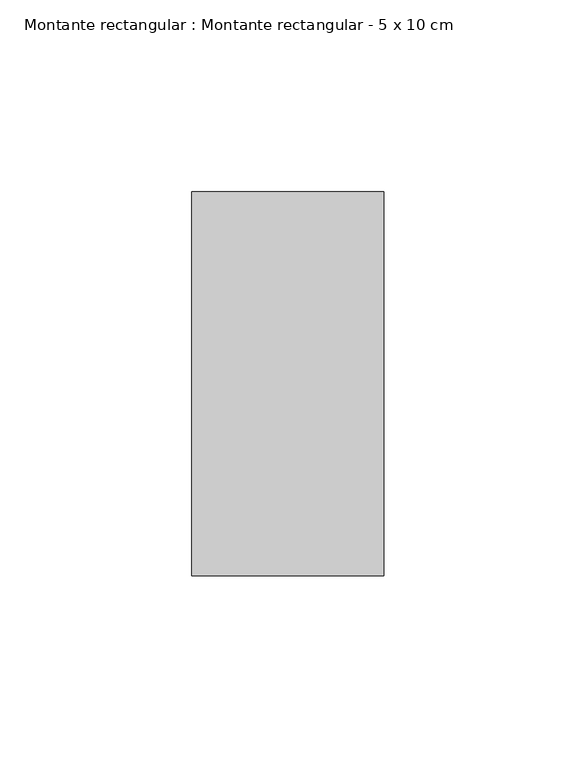
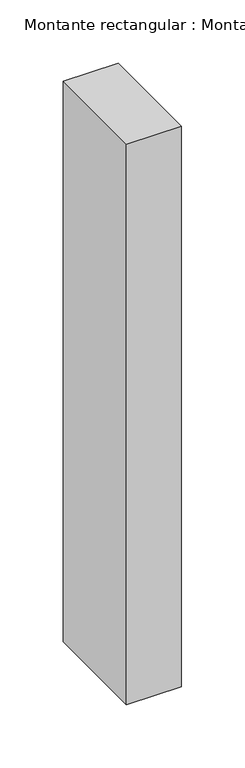
"""IFC4 building model written with IfcOpenShell, lengths in millimetres: member geometry, Montante rectangular : Montante rectangular - 5 x 10 cm."""

from ifc_helpers import new_model, si_unit, frame, origin, place, context, project, spatial, polyline, outline, extrude, source, transform, mapped, element, save


def montante_rectangular_montante_rectangular_5_x_10_cm_2e73c67f(model_context):
    return source(origin(), model_context, "Body", "SweptSolid", [
        extrude(outline(polyline([(0.0, 50.0), (0.0, -50.0), (-50.0, -50.0), (-50.0, 50.0), (0.0, 50.0)])), frame((0.0, 0.0, -541.0), z_axis=(0.0, 0.0, 1.0), x_axis=(1.0, 0.0, 0.0)), (0.0, 0.0, 1.0), 541.0),
    ])


if __name__ == "__main__":
    model = new_model("IFC4")
    model_context = context("Model", 3, world=origin())
    ifc_project = project(units=[si_unit("LENGTHUNIT", "METRE", prefix="MILLI")], contexts=[model_context])
    site = spatial("IfcSite", under=ifc_project)
    building = spatial("IfcBuilding", under=site)
    placement = place(None, origin())
    montante_rectangular_montante_rectangular_5_x_10_cm_shape = montante_rectangular_montante_rectangular_5_x_10_cm_2e73c67f(model_context)
    element("IfcMember", 1, ObjectType="Montante rectangular : Montante rectangular - 5 x 10 cm", at=placement, inside=building, context=model_context, shape_type="MappedRepresentation", body=[
        mapped(montante_rectangular_montante_rectangular_5_x_10_cm_shape, transform((0.0, 0.0, 0.0), x_axis=(1.0, 0.0, 0.0), y_axis=(0.0, 1.0, 0.0), z_axis=(0.0, 0.0, 1.0))),
    ])
    save(model, "model.ifc")
